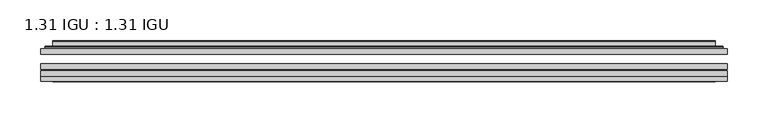
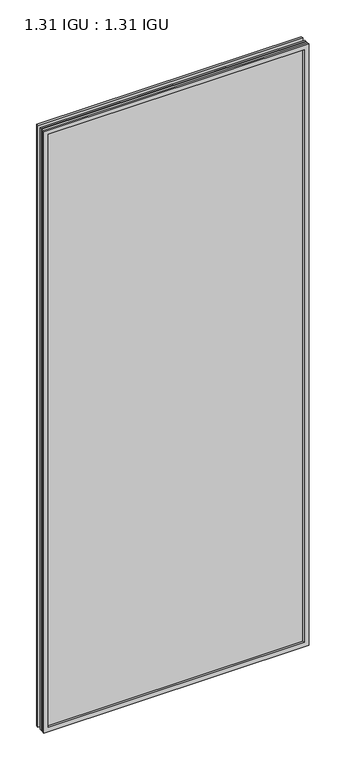
"""IFC4 building model written with IfcOpenShell, lengths in millimetres: plate geometry, 1.31 IGU : 1.31 IGU."""

from ifc_helpers import new_model, si_unit, frame, origin, place, context, project, spatial, polyline, ellipse_curve, outline, extrude, faceted_brep, source, transform, mapped, element, save
from ifc_brep_helpers import plane_surface, cylinder_surface, advanced_brep


def plate_1_31_igu_1_31_igu_bcf301ac(model_context):
    return source(origin(), model_context, "Body", "SolidModel", [
        extrude(outline(polyline([(419.1140393, -63.2975937), (419.1140393, -69.6475938), (-419.0998644, -69.6475938), (-419.0998644, -63.2975937), (419.1140393, -63.2975937)])), frame((0.0, 0.0, -14.2875), z_axis=(0.0, 0.0, 1.0), x_axis=(1.0, 0.0, 0.0)), (0.0, 0.0, 1.0), 2009.796575),
        extrude(outline(polyline([(-419.0998644, -78.2835938), (-419.0998644, -71.9330887), (419.1140393, -71.9330887), (419.1140393, -78.2835938), (-419.0998644, -78.2835938)])), frame((0.0, 0.0, -14.2875), z_axis=(0.0, 0.0, 1.0), x_axis=(1.0, 0.0, 0.0)), (0.0, 0.0, 1.0), 2009.796575),
        extrude(outline(polyline([(419.1140393, -44.9587937), (419.1140393, -51.3087938), (-419.0998644, -51.3087938), (-419.0998644, -44.9587937), (419.1140393, -44.9587937)])), frame((0.0, 0.0, -14.2875), z_axis=(0.0, 0.0, 1.0), x_axis=(1.0, 0.0, 0.0)), (0.0, 0.0, 1.0), 2009.796575),
        faceted_brep([(-419.1125644, -84.6335937, 1995.5179772), (-419.1125644, -78.2835937, 1995.5179772), (-419.1125644, -78.2835937, -14.3002), (-419.1125644, -84.6335937, -14.3002), (419.1125644, -78.2835937, -14.3002), (419.1125644, -84.6335937, -14.3002), (419.1125644, -78.2835937, 1995.5179772), (419.1125644, -84.6335937, 1995.5179772), (-403.9146202, -78.2835937, 0.8977441), (403.9146202, -78.2835937, 0.8977441), (403.9146202, -78.2835937, 1980.320033), (-403.9146202, -78.2835937, 1980.320033), (-404.8070545, -84.6335937, 1981.2124673), (404.8070545, -84.6335937, 1981.2124673), (404.8070545, -84.6335937, 0.0053098), (-404.8070545, -84.6335937, 0.0053098)], [[[0, 1, 2, 3]], [[3, 2, 4, 5]], [[5, 4, 6, 7]], [[1, 6, 4, 2], [8, 9, 10, 11]], [[7, 6, 1, 0]], [[3, 5, 7, 0], [12, 13, 14, 15]], [[11, 12, 15, 8]], [[8, 15, 14, 9]], [[9, 14, 13, 10]], [[10, 13, 12, 11]]]),
        advanced_brep(
        [(-411.8585834, -44.9587937, 1988.2639962), (-414.2127888, -42.9691271, 1990.6182015), (-414.2127888, -42.9691271, -9.4004244), (-411.8585834, -44.9587937, -7.046219), (-402.7842583, -41.1187568, 1979.1896711), (-397.8494264, -44.9587937, 1974.2548392), (-397.8494264, -44.9587937, 6.9629379), (-402.7842583, -41.1187568, 2.0281061), (-403.816286, -35.7215256, 1980.2216988), (-403.816286, -35.7215256, 0.9960783), (-404.8069428, -35.3225507, 1981.2123556), (-404.8069428, -35.3225507, 0.0054216), (-404.8069428, -41.7837937, 1981.2123556), (-404.8069428, -41.7837937, 0.0054216), (-413.2109992, -41.7837937, 1989.616412), (-413.2109992, -41.7837937, -8.3986349), (414.2127888, -42.9691271, -9.4004244), (411.8585834, -44.9587937, -7.046219), (397.8494264, -44.9587937, 6.9629379), (402.7842583, -41.1187568, 2.0281061), (403.816286, -35.7215256, 0.9960783), (404.8069428, -35.3225507, 0.0054216), (404.8069428, -41.7837937, 0.0054216), (413.2109992, -41.7837937, -8.3986349), (414.2127888, -42.9691271, 1990.6182015), (411.8585834, -44.9587937, 1988.2639962), (397.8494264, -44.9587937, 1974.2548392), (402.7842583, -41.1187568, 1979.1896711), (403.816286, -35.7215256, 1980.2216988), (404.8069428, -35.3225507, 1981.2123556), (404.8069428, -41.7837937, 1981.2123556), (413.2109992, -41.7837937, 1989.616412)],
        [
            (0, 1, ellipse_curve(frame((-411.8585834, -42.5711937, 1988.2639962), z_axis=(-0.7071067811865475, 0.0, -0.7071067811865475), x_axis=(-0.7071067811865474, 0.0, 0.7071067811865476)), 3.3765763, 2.3876)),
            (1, 2),
            (2, 3, ellipse_curve(frame((-411.8585834, -42.5711937, -7.046219), z_axis=(-0.7071067811865475, 0.0, 0.7071067811865475), x_axis=(0.7071067811865474, 0.0, 0.7071067811865476)), 3.3765763, 2.3876)),
            (3, 0),
            (4, 5),
            (5, 6),
            (6, 7),
            (7, 4),
            (8, 4),
            (7, 9),
            (9, 8),
            (10, 8, ellipse_curve(frame((-404.4399862, -35.840786, 1980.845399), z_axis=(-0.7071067811865475, 0.0, -0.7071067811865475), x_axis=(-0.7071067811865474, 0.0, 0.7071067811865476)), 0.8980256, 0.635)),
            (9, 11, ellipse_curve(frame((-404.4399862, -35.840786, 0.3723781), z_axis=(-0.7071067811865475, 0.0, 0.7071067811865475), x_axis=(0.7071067811865474, 0.0, 0.7071067811865476)), 0.8980256, 0.635)),
            (11, 10),
            (12, 10),
            (11, 13),
            (13, 12),
            (1, 14, ellipse_curve(frame((-413.2109992, -42.7997937, 1989.616412), z_axis=(-0.7071067811865475, 0.0, -0.7071067811865475), x_axis=(-0.7071067811865474, 0.0, 0.7071067811865476)), 1.436841, 1.016)),
            (14, 15),
            (15, 2, ellipse_curve(frame((-413.2109992, -42.7997937, -8.3986349), z_axis=(-0.7071067811865475, 0.0, 0.7071067811865475), x_axis=(0.7071067811865474, 0.0, 0.7071067811865476)), 1.436841, 1.016)),
            (2, 16),
            (16, 17, ellipse_curve(frame((411.8585834, -42.5711937, -7.046219), z_axis=(-0.7071067811865475, 0.0, -0.7071067811865475), x_axis=(-0.7071067811865476, 0.0, 0.7071067811865474)), 3.3765763, 2.3876)),
            (17, 3),
            (6, 18),
            (18, 19),
            (19, 7),
            (19, 20),
            (20, 9),
            (20, 21, ellipse_curve(frame((404.4399862, -35.840786, 0.3723781), z_axis=(-0.7071067811865475, 0.0, -0.7071067811865475), x_axis=(-0.7071067811865476, 0.0, 0.7071067811865474)), 0.8980256, 0.635)),
            (21, 11),
            (21, 22),
            (22, 13),
            (15, 23),
            (23, 16, ellipse_curve(frame((413.2109992, -42.7997937, -8.3986349), z_axis=(-0.7071067811865475, 0.0, -0.7071067811865475), x_axis=(-0.7071067811865476, 0.0, 0.7071067811865474)), 1.436841, 1.016)),
            (16, 24),
            (24, 25, ellipse_curve(frame((411.8585834, -42.5711937, 1988.2639962), z_axis=(0.7071067811865475, 0.0, -0.7071067811865475), x_axis=(-0.7071067811865474, 0.0, -0.7071067811865476)), 3.3765763, 2.3876)),
            (25, 17),
            (18, 26),
            (26, 27),
            (27, 19),
            (27, 28),
            (28, 20),
            (28, 29, ellipse_curve(frame((404.4399862, -35.840786, 1980.845399), z_axis=(0.7071067811865475, 0.0, -0.7071067811865475), x_axis=(-0.7071067811865474, 0.0, -0.7071067811865476)), 0.8980256, 0.635)),
            (29, 21),
            (29, 30),
            (30, 22),
            (23, 31),
            (31, 24, ellipse_curve(frame((413.2109992, -42.7997937, 1989.616412), z_axis=(0.7071067811865475, 0.0, -0.7071067811865475), x_axis=(-0.7071067811865474, 0.0, -0.7071067811865476)), 1.436841, 1.016)),
            (24, 1),
            (0, 25),
            (5, 26),
            (4, 27),
            (8, 28),
            (10, 29),
            (12, 30),
            (14, 31),
        ],
        [
            cylinder_surface(frame((-411.8585834, -42.5711937, 2012.9677772), z_axis=(0.0, 0.0, 1.0), x_axis=(-1.0, 0.0, 0.0)), 2.3876),
            plane_surface(frame((-397.8494264, -44.9587937, 1974.2548392), z_axis=(0.6141233906514794, 0.7892100234124821, 0.0), x_axis=(0.0, 0.0, -1.0))),
            plane_surface(frame((-402.7842583, -41.1187568, 1979.1896711), z_axis=(0.9822050625507729, 0.18781164793386076, 0.0), x_axis=(0.0, 0.0, -1.0))),
            cylinder_surface(frame((-404.4399862, -35.840786, 2012.9677772), z_axis=(0.0, 0.0, 1.0), x_axis=(-1.0, 0.0, 0.0)), 0.635),
            plane_surface(frame((-404.8069428, -35.3225507, 1981.2123556), z_axis=(-1.0, 0.0, 0.0), x_axis=(0.0, 0.0, -1.0))),
            cylinder_surface(frame((-413.2109992, -42.7997937, 2012.9677772), z_axis=(0.0, 0.0, 1.0), x_axis=(-1.0, 0.0, 0.0)), 1.016),
            cylinder_surface(frame((-436.5623644, -42.5711937, -7.046219), z_axis=(-1.0, 0.0, 0.0), x_axis=(0.0, 0.0, -1.0)), 2.3876),
            plane_surface(frame((-397.8494264, -44.9587937, 6.9629379), z_axis=(0.0, 0.7892100234124841, 0.6141233906514768), x_axis=(1.0, 0.0, 0.0))),
            plane_surface(frame((-402.7842583, -41.1187568, 2.0281061), z_axis=(0.0, 0.18781164793386393, 0.9822050625507723), x_axis=(1.0, 0.0, 0.0))),
            cylinder_surface(frame((-436.5623644, -35.840786, 0.3723781), z_axis=(-1.0, 0.0, 0.0), x_axis=(0.0, 0.0, -1.0)), 0.635),
            plane_surface(frame((-404.8069428, -35.3225507, 0.0054216), z_axis=(0.0, 0.0, -1.0), x_axis=(1.0, 0.0, 0.0))),
            cylinder_surface(frame((-436.5623644, -42.7997937, -8.3986349), z_axis=(-1.0, 0.0, 0.0), x_axis=(0.0, 0.0, -1.0)), 1.016),
            cylinder_surface(frame((411.8585834, -42.5711937, -31.75), z_axis=(0.0, 0.0, -1.0), x_axis=(1.0, 0.0, 0.0)), 2.3876),
            plane_surface(frame((397.8494264, -44.9587937, 6.9629379), z_axis=(-0.6141233906514743, 0.7892100234124861, 0.0), x_axis=(0.0, 0.0, 1.0))),
            plane_surface(frame((402.7842583, -41.1187568, 2.0281061), z_axis=(-0.9822050625507718, 0.1878116479338671, 0.0), x_axis=(0.0, 0.0, 1.0))),
            cylinder_surface(frame((404.4399862, -35.840786, -31.75), z_axis=(0.0, 0.0, -1.0), x_axis=(1.0, 0.0, 0.0)), 0.635),
            plane_surface(frame((404.8069428, -35.3225507, 0.0054216), z_axis=(1.0, 0.0, 0.0), x_axis=(0.0, 0.0, 1.0))),
            cylinder_surface(frame((413.2109992, -42.7997937, -31.75), z_axis=(0.0, 0.0, -1.0), x_axis=(1.0, 0.0, 0.0)), 1.016),
            cylinder_surface(frame((436.5623644, -42.5711937, 1988.2639962), z_axis=(1.0, 0.0, 0.0), x_axis=(0.0, 0.0, 1.0)), 2.3876),
            plane_surface(frame((411.8585834, -44.9587937, 1988.2639962), z_axis=(0.0, -1.0, 0.0), x_axis=(-1.0, 0.0, 0.0))),
            plane_surface(frame((397.8494264, -44.9587937, 1974.2548392), z_axis=(0.0, 0.7892100234124841, -0.6141233906514768), x_axis=(-1.0, 0.0, 0.0))),
            plane_surface(frame((402.7842583, -41.1187568, 1979.1896711), z_axis=(0.0, 0.18781164793386393, -0.9822050625507723), x_axis=(-1.0, 0.0, 0.0))),
            cylinder_surface(frame((436.5623644, -35.840786, 1980.845399), z_axis=(1.0, 0.0, 0.0), x_axis=(0.0, 0.0, 1.0)), 0.635),
            plane_surface(frame((404.8069428, -35.3225507, 1981.2123556), z_axis=(0.0, 0.0, 1.0), x_axis=(-1.0, 0.0, 0.0))),
            plane_surface(frame((404.8069428, -41.7837937, 1981.2123556), z_axis=(0.0, 1.0, 0.0), x_axis=(-1.0, 0.0, 0.0))),
            cylinder_surface(frame((436.5623644, -42.7997937, 1989.616412), z_axis=(1.0, 0.0, 0.0), x_axis=(0.0, 0.0, 1.0)), 1.016),
        ],
        [
            (0, [[1, 2, 3, 4]]),
            (1, [[5, 6, 7, 8]]),
            (2, [[9, -8, 10, 11]]),
            (3, [[12, -11, 13, 14]]),
            (4, [[15, -14, 16, 17]]),
            (5, [[18, 19, 20, -2]]),
            (6, [[-3, 21, 22, 23]]),
            (7, [[-7, 24, 25, 26]]),
            (8, [[-10, -26, 27, 28]]),
            (9, [[-13, -28, 29, 30]]),
            (10, [[-16, -30, 31, 32]]),
            (11, [[-20, 33, 34, -21]]),
            (12, [[-22, 35, 36, 37]]),
            (13, [[-25, 38, 39, 40]]),
            (14, [[-27, -40, 41, 42]]),
            (15, [[-29, -42, 43, 44]]),
            (16, [[-31, -44, 45, 46]]),
            (17, [[-34, 47, 48, -35]]),
            (18, [[-36, 49, -1, 50]]),
            (19, [[-23, -37, -50, -4], [51, -38, -24, -6]]),
            (20, [[-39, -51, -5, 52]]),
            (21, [[-41, -52, -9, 53]]),
            (22, [[-43, -53, -12, 54]]),
            (23, [[-45, -54, -15, 55]]),
            (24, [[56, -47, -33, -19], [-32, -46, -55, -17]]),
            (25, [[-48, -56, -18, -49]]),
        ],
    ),
    ])


if __name__ == "__main__":
    model = new_model("IFC4")
    model_context = context("Model", 3, world=origin())
    ifc_project = project(units=[si_unit("LENGTHUNIT", "METRE", prefix="MILLI")], contexts=[model_context])
    site = spatial("IfcSite", under=ifc_project)
    building = spatial("IfcBuilding", under=site)
    placement = place(None, origin())
    plate_1_31_igu_1_31_igu_shape = plate_1_31_igu_1_31_igu_bcf301ac(model_context)
    element("IfcPlate", 1, ObjectType="1.31 IGU : 1.31 IGU", at=placement, inside=building, context=model_context, shape_type="MappedRepresentation", body=[
        mapped(plate_1_31_igu_1_31_igu_shape, transform((0.0, 0.0, 0.0), x_axis=(1.0, 0.0, 0.0), y_axis=(0.0, 1.0, 0.0), z_axis=(0.0, 0.0, 1.0))),
    ])
    save(model, "model.ifc")
